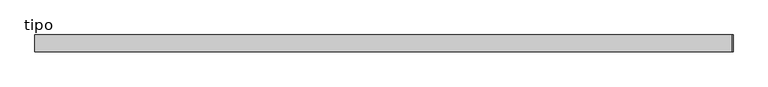
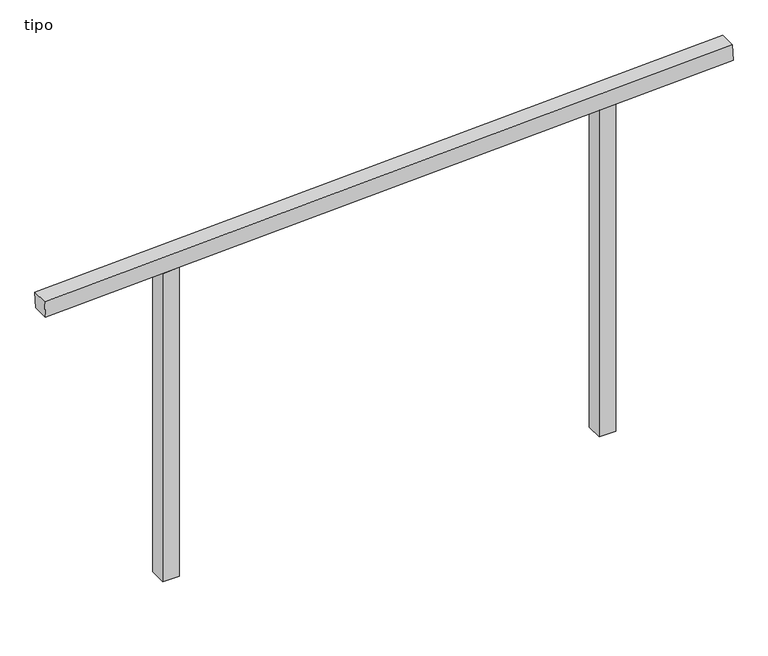
"""IFC4 building model written with IfcOpenShell, lengths in millimetres: proxy geometry, tipo."""

from ifc_helpers import new_model, si_unit, frame, origin, place, context, project, spatial, polyline, outline, extrude, source, transform, mapped, element, save


def tipo_37fbff4d(model_context):
    return source(origin(), model_context, "Body", "SweptSolid", [
        extrude(outline(polyline([(0.0, -4100.0000001), (0.0, 0.0), (100.0, 0.0), (100.0, -4100.0000001), (0.0, -4100.0000001)])), frame((-2047.9441717, -100.0, 1908.2140005), z_axis=(-0.04477365827951722, 0.0, 0.998997156915008), x_axis=(0.0, 1.0, 0.0)), (0.0, 0.0, 1.0), 100.0),
        extrude(outline(polyline([(2060.5051158, 1350.0), (2056.0232554, 1250.0), (0.0, 1250.0), (0.0, 1350.0), (2060.5051158, 1350.0)])), frame((0.0, -100.0, 0.0), z_axis=(0.0, 1.0, 0.0), x_axis=(0.0, 0.0, 1.0)), (0.0, 0.0, 1.0), 100.0),
        extrude(outline(polyline([(1939.4948842, -1350.0), (0.0, -1350.0), (0.0, -1250.0), (1943.9767446, -1250.0), (1939.4948842, -1350.0)])), frame((0.0, -100.0, 0.0), z_axis=(0.0, 1.0, 0.0), x_axis=(0.0, 0.0, 1.0)), (0.0, 0.0, 1.0), 100.0),
    ])


if __name__ == "__main__":
    model = new_model("IFC4")
    model_context = context("Model", 3, world=origin())
    ifc_project = project(units=[si_unit("LENGTHUNIT", "METRE", prefix="MILLI")], contexts=[model_context])
    site = spatial("IfcSite", under=ifc_project)
    building = spatial("IfcBuilding", under=site)
    placement = place(None, origin())
    tipo_shape = tipo_37fbff4d(model_context)
    element("IfcBuildingElementProxy", 1, Name="tipo", ObjectType="tipo", at=placement, inside=building, context=model_context, shape_type="MappedRepresentation", body=[
        mapped(tipo_shape, transform((0.0, 0.0, 0.0), x_axis=(1.0, 0.0, 0.0), y_axis=(0.0, 1.0, 0.0), z_axis=(0.0, 0.0, 1.0))),
    ])
    save(model, "model.ifc")
